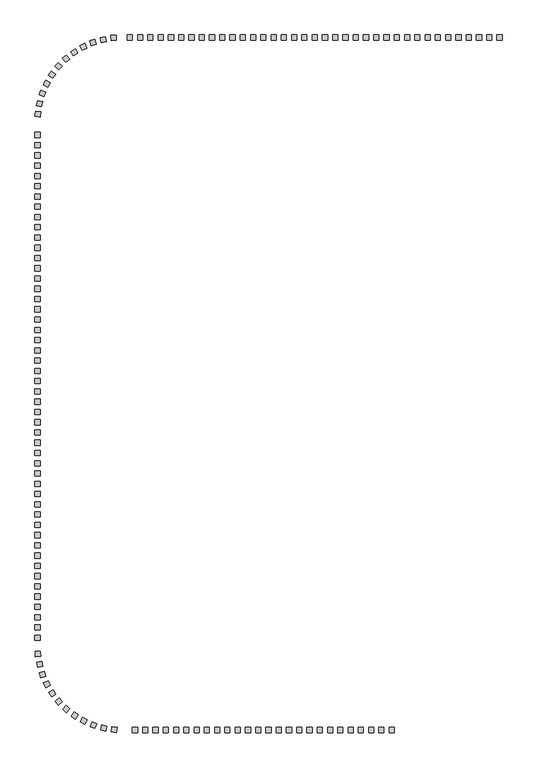
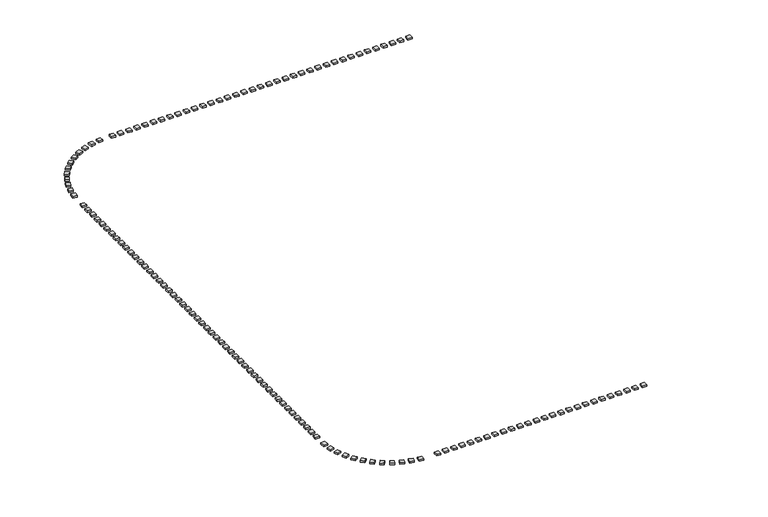
"""IFC4 building model written with IfcOpenShell, lengths in millimetres: railing geometry."""

import ifcopenshell
import ifcopenshell.guid

model = None  # the IFC model being written
_history = None  # IfcOwnerHistory: only IFC2X3 demands one
_inside = {}  # id of a spatial element -> (the spatial element, [elements in it])
_under = {}  # id of a project, library or spatial element -> (it, [spatial elements below it])
_declared = {}  # id of a project -> (the project, [libraries it declares])
_typed = {}  # id of a type object -> (the type object, [elements of that type])
_made_of = {}  # id of a material, layer set ... -> (it, [elements and type objects made of it])


def new_model(schema):
    """Start an empty IFC model of exactly this schema.

    Asked for "IFC4X3", IfcOpenShell would pick the latest addendum, in which some entities
    have other attributes; the version numbers below select the first issue.
    IFC2X3 requires an IfcOwnerHistory on every rooted entity: one is made here for all.
    """
    global model, _history
    if schema == "IFC4X3":
        model = ifcopenshell.file(schema_version=(4, 3, 0, 0))
    else:
        model = ifcopenshell.file(schema=schema)
    _inside.clear()
    _under.clear()
    _declared.clear()
    _typed.clear()
    _made_of.clear()
    _history = None
    if model.schema == "IFC2X3":
        org = make("IfcOrganization", Name="unknown")
        user = make(
            "IfcPersonAndOrganization",
            ThePerson=make("IfcPerson", FamilyName="unknown"),
            TheOrganization=org,
        )
        app = make(
            "IfcApplication",
            ApplicationDeveloper=org,
            Version="unknown",
            ApplicationFullName="unknown",
            ApplicationIdentifier="unknown",
        )
        _history = make(
            "IfcOwnerHistory",
            OwningUser=user,
            OwningApplication=app,
            ChangeAction="ADDED",
            CreationDate=0,
        )
    return model


def make(cls, **values):
    """One entity of the class cls with the attributes given. An attribute that is None is left unset."""
    return model.create_entity(
        cls, **{name: value for name, value in values.items() if value is not None}
    )


def rooted(cls, **values):
    """An entity with a GlobalId (a new one), such as an element, a storey or a relation."""
    return make(cls, GlobalId=ifcopenshell.guid.new(), OwnerHistory=_history, **values)


def si_unit(unit_type, name, prefix=None):
    """IfcSIUnit, for example si_unit("LENGTHUNIT", "METRE", prefix="MILLI")."""
    return make("IfcSIUnit", UnitType=unit_type, Prefix=prefix, Name=name)


def assignment(units):
    """IfcUnitAssignment: the units of a project."""
    return None if units is None else make("IfcUnitAssignment", Units=units)


def point(xyz):
    """IfcCartesianPoint."""
    return None if xyz is None else make("IfcCartesianPoint", Coordinates=xyz)


def direction(xyz):
    """IfcDirection."""
    return None if xyz is None else make("IfcDirection", DirectionRatios=xyz)


def frame(location, z_axis=None, x_axis=None):
    """IfcAxis2Placement3D, a coordinate frame: its origin and axes. An axis left out is left unset."""
    return make(
        "IfcAxis2Placement3D",
        Location=point(location),
        Axis=direction(z_axis),
        RefDirection=direction(x_axis),
    )


def origin():
    """The frame at (0, 0, 0) with its axes left unset."""
    return frame((0.0, 0.0, 0.0))


def origin_with_axes():
    """The frame at (0, 0, 0) with the z axis (0, 0, 1) and the x axis (1, 0, 0) written out."""
    return frame((0.0, 0.0, 0.0), z_axis=(0.0, 0.0, 1.0), x_axis=(1.0, 0.0, 0.0))


def place(relative_to, where):
    """IfcLocalPlacement: puts the frame where relative to a parent placement (None: the world)."""
    return make(
        "IfcLocalPlacement", PlacementRelTo=relative_to, RelativePlacement=where
    )


def context(
    kind, dimensions, precision=None, world=None, true_north=None, identifier=None
):
    """IfcGeometricRepresentationContext, for example the 3D "Model" context."""
    return make(
        "IfcGeometricRepresentationContext",
        ContextIdentifier=identifier,
        ContextType=kind,
        CoordinateSpaceDimension=dimensions,
        Precision=precision,
        WorldCoordinateSystem=world,
        TrueNorth=true_north,
    )


def project(units=None, contexts=None):
    """IfcProject with its units and contexts."""
    return rooted(
        "IfcProject",
        Name="project",
        RepresentationContexts=contexts,
        UnitsInContext=assignment(units),
    )


def spatial(cls, under=None, at=None, **own):
    """A site, building, storey or space (cls), placed at a placement, below another one or the project."""
    s = rooted(cls, ObjectPlacement=at, **own)
    if under is not None:
        _under.setdefault(under.id(), (under, []))[1].append(s)
    return s


def polyline(points):
    """IfcPolyline through the points."""
    return make("IfcPolyline", Points=[point(p) for p in points])


def outline(outer, holes=None, kind="AREA"):
    """IfcArbitraryClosedProfileDef: a profile drawn as a closed curve; with holes, ...WithVoids."""
    if holes is None:
        return make("IfcArbitraryClosedProfileDef", ProfileType=kind, OuterCurve=outer)
    return make(
        "IfcArbitraryProfileDefWithVoids",
        ProfileType=kind,
        OuterCurve=outer,
        InnerCurves=holes,
    )


def extrude(swept, where, along, depth):
    """IfcExtrudedAreaSolid: the profile swept, set in the frame where, extruded along a direction by depth."""
    return make(
        "IfcExtrudedAreaSolid",
        SweptArea=swept,
        Position=where,
        ExtrudedDirection=direction(along),
        Depth=depth,
    )


def shape(context_of_items, identifier, shape_type, items):
    """IfcShapeRepresentation: the items that make up one representation, for example the "Body"."""
    return make(
        "IfcShapeRepresentation",
        ContextOfItems=context_of_items,
        RepresentationIdentifier=identifier,
        RepresentationType=shape_type,
        Items=items,
    )


def source(mapping_origin, context_of_items, identifier, shape_type, items):
    """IfcRepresentationMap: a shape defined once, which mapped items show again and again."""
    return make(
        "IfcRepresentationMap",
        MappingOrigin=mapping_origin,
        MappedRepresentation=shape(context_of_items, identifier, shape_type, items),
    )


def transform(
    local_origin,
    x_axis=None,
    y_axis=None,
    z_axis=None,
    scale=None,
    scale2=None,
    scale3=None,
    uniform=True,
):
    """IfcCartesianTransformationOperator3D, or its non-uniform kind. x_axis, y_axis, z_axis: its Axis1, 2, 3."""
    if uniform:
        return make(
            "IfcCartesianTransformationOperator3D",
            Axis1=direction(x_axis),
            Axis2=direction(y_axis),
            LocalOrigin=point(local_origin),
            Scale=scale,
            Axis3=direction(z_axis),
        )
    return make(
        "IfcCartesianTransformationOperator3DnonUniform",
        Axis1=direction(x_axis),
        Axis2=direction(y_axis),
        LocalOrigin=point(local_origin),
        Scale=scale,
        Axis3=direction(z_axis),
        Scale2=scale2,
        Scale3=scale3,
    )


def mapped(mapping_source, mapping_target):
    """IfcMappedItem: shows the shape of a source again, moved by a transform."""
    return make(
        "IfcMappedItem", MappingSource=mapping_source, MappingTarget=mapping_target
    )


def made_of(thing, what):
    """Note that an element or type object is made of a material, layer set ...; save() writes the relation."""
    if what is not None:
        _made_of.setdefault(what.id(), (what, []))[1].append(thing)
    return thing


def element(
    cls,
    number,
    at=None,
    inside=None,
    cuts=None,
    type_object=None,
    material=None,
    context=None,
    identifier="Body",
    shape_type=None,
    held_by="IfcProductDefinitionShape",
    body=None,
    shapes=None,
    **own,
):
    """One element of the class cls, such as IfcWall. Its Tag is "e" and its number.

    at: its placement. inside: the storey or other place that contains it. cuts: it is an
    opening in that element (IfcRelVoidsElement). A single representation is given by context,
    identifier, shape_type and body (its items); several are given by shapes. held_by: the class
    of the entity that holds the representations. save() writes the other relations.
    """
    e = rooted(cls, Tag="e%d" % number, ObjectPlacement=at, **own)
    if body is not None:
        shapes = [shape(context, identifier, shape_type, body)]
    if shapes is not None:
        e.Representation = make(held_by, Representations=shapes)
    if inside is not None:
        _inside.setdefault(inside.id(), (inside, []))[1].append(e)
    if cuts is not None:
        rooted(
            "IfcRelVoidsElement", RelatingBuildingElement=cuts, RelatedOpeningElement=e
        )
    if type_object is not None:
        _typed.setdefault(type_object.id(), (type_object, []))[1].append(e)
    return made_of(e, material)


def aggregate(whole, parts):
    """IfcRelAggregates: a whole, such as a stair, and the parts it consists of."""
    return rooted("IfcRelAggregates", RelatingObject=whole, RelatedObjects=parts)


def save(model, path):
    """Write the relations noted so far, then the file.

    IfcRelAggregates (storeys below a building ...), IfcRelContainedInSpatialStructure (elements
    in a storey), IfcRelDefinesByType, IfcRelAssociatesMaterial and IfcRelDeclares: one each for
    every whole, place, type object, material and project.
    """
    for whole, parts in _under.values():
        aggregate(whole, parts)
    for where, things in _inside.values():
        rooted(
            "IfcRelContainedInSpatialStructure",
            RelatedElements=things,
            RelatingStructure=where,
        )
    for kind, things in _typed.values():
        rooted("IfcRelDefinesByType", RelatedObjects=things, RelatingType=kind)
    for what, things in _made_of.values():
        rooted("IfcRelAssociatesMaterial", RelatedObjects=things, RelatingMaterial=what)
    for by, libraries in _declared.values():
        rooted("IfcRelDeclares", RelatingContext=by, RelatedDefinitions=libraries)
    model.write(path)


def railing_93ff11cb(model_context):
    return source(origin(), model_context, "Body", "SweptSolid", [
        extrude(outline(polyline([(-32631.1414863, -59795.8215503), (-32631.1414863, -60295.8215503), (-33131.1414863, -60295.8215503), (-33131.1414863, -59795.8215503), (-32631.1414863, -59795.8215503)])), origin_with_axes(), (0.0, 0.0, 1.0), 200.0),
        extrude(outline(polyline([(-33631.1414863, -59795.8215503), (-33631.1414863, -60295.8215503), (-34131.1414863, -60295.8215503), (-34131.1414863, -59795.8215503), (-33631.1414863, -59795.8215503)])), origin_with_axes(), (0.0, 0.0, 1.0), 200.0),
        extrude(outline(polyline([(-34631.1414863, -59795.8215503), (-34631.1414863, -60295.8215503), (-35131.1414863, -60295.8215503), (-35131.1414863, -59795.8215503), (-34631.1414863, -59795.8215503)])), origin_with_axes(), (0.0, 0.0, 1.0), 200.0),
        extrude(outline(polyline([(-35631.1414863, -59795.8215503), (-35631.1414863, -60295.8215503), (-36131.1414863, -60295.8215503), (-36131.1414863, -59795.8215503), (-35631.1414863, -59795.8215503)])), origin_with_axes(), (0.0, 0.0, 1.0), 200.0),
        extrude(outline(polyline([(-36631.1414863, -59795.8215503), (-36631.1414863, -60295.8215503), (-37131.1414863, -60295.8215503), (-37131.1414863, -59795.8215503), (-36631.1414863, -59795.8215503)])), origin_with_axes(), (0.0, 0.0, 1.0), 200.0),
        extrude(outline(polyline([(-37631.1414863, -59795.8215503), (-37631.1414863, -60295.8215503), (-38131.1414863, -60295.8215503), (-38131.1414863, -59795.8215503), (-37631.1414863, -59795.8215503)])), origin_with_axes(), (0.0, 0.0, 1.0), 200.0),
        extrude(outline(polyline([(-38631.1414863, -59795.8215503), (-38631.1414863, -60295.8215503), (-39131.1414863, -60295.8215503), (-39131.1414863, -59795.8215503), (-38631.1414863, -59795.8215503)])), origin_with_axes(), (0.0, 0.0, 1.0), 200.0),
        extrude(outline(polyline([(-39631.1414863, -59795.8215503), (-39631.1414863, -60295.8215503), (-40131.1414863, -60295.8215503), (-40131.1414863, -59795.8215503), (-39631.1414863, -59795.8215503)])), origin_with_axes(), (0.0, 0.0, 1.0), 200.0),
        extrude(outline(polyline([(-40631.1414863, -59795.8215503), (-40631.1414863, -60295.8215503), (-41131.1414863, -60295.8215503), (-41131.1414863, -59795.8215503), (-40631.1414863, -59795.8215503)])), origin_with_axes(), (0.0, 0.0, 1.0), 200.0),
        extrude(outline(polyline([(-41631.1414863, -59795.8215503), (-41631.1414863, -60295.8215503), (-42131.1414863, -60295.8215503), (-42131.1414863, -59795.8215503), (-41631.1414863, -59795.8215503)])), origin_with_axes(), (0.0, 0.0, 1.0), 200.0),
        extrude(outline(polyline([(-42631.1414863, -59795.8215503), (-42631.1414863, -60295.8215503), (-43131.1414863, -60295.8215503), (-43131.1414863, -59795.8215503), (-42631.1414863, -59795.8215503)])), origin_with_axes(), (0.0, 0.0, 1.0), 200.0),
        extrude(outline(polyline([(-43631.1414863, -59795.8215503), (-43631.1414863, -60295.8215503), (-44131.1414863, -60295.8215503), (-44131.1414863, -59795.8215503), (-43631.1414863, -59795.8215503)])), origin_with_axes(), (0.0, 0.0, 1.0), 200.0),
        extrude(outline(polyline([(-44631.1414863, -59795.8215503), (-44631.1414863, -60295.8215503), (-45131.1414863, -60295.8215503), (-45131.1414863, -59795.8215503), (-44631.1414863, -59795.8215503)])), origin_with_axes(), (0.0, 0.0, 1.0), 200.0),
        extrude(outline(polyline([(-45631.1414863, -59795.8215503), (-45631.1414863, -60295.8215503), (-46131.1414863, -60295.8215503), (-46131.1414863, -59795.8215503), (-45631.1414863, -59795.8215503)])), origin_with_axes(), (0.0, 0.0, 1.0), 200.0),
        extrude(outline(polyline([(-46631.1414863, -59795.8215503), (-46631.1414863, -60295.8215503), (-47131.1414863, -60295.8215503), (-47131.1414863, -59795.8215503), (-46631.1414863, -59795.8215503)])), origin_with_axes(), (0.0, 0.0, 1.0), 200.0),
        extrude(outline(polyline([(-47631.1414863, -59795.8215503), (-47631.1414863, -60295.8215503), (-48131.1414863, -60295.8215503), (-48131.1414863, -59795.8215503), (-47631.1414863, -59795.8215503)])), origin_with_axes(), (0.0, 0.0, 1.0), 200.0),
        extrude(outline(polyline([(-48631.1414863, -59795.8215503), (-48631.1414863, -60295.8215503), (-49131.1414863, -60295.8215503), (-49131.1414863, -59795.8215503), (-48631.1414863, -59795.8215503)])), origin_with_axes(), (0.0, 0.0, 1.0), 200.0),
        extrude(outline(polyline([(-49631.1414863, -59795.8215503), (-49631.1414863, -60295.8215503), (-50131.1414863, -60295.8215503), (-50131.1414863, -59795.8215503), (-49631.1414863, -59795.8215503)])), origin_with_axes(), (0.0, 0.0, 1.0), 200.0),
        extrude(outline(polyline([(-50631.1414863, -59795.8215503), (-50631.1414863, -60295.8215503), (-51131.1414863, -60295.8215503), (-51131.1414863, -59795.8215503), (-50631.1414863, -59795.8215503)])), origin_with_axes(), (0.0, 0.0, 1.0), 200.0),
        extrude(outline(polyline([(-51631.1414863, -59795.8215503), (-51631.1414863, -60295.8215503), (-52131.1414863, -60295.8215503), (-52131.1414863, -59795.8215503), (-51631.1414863, -59795.8215503)])), origin_with_axes(), (0.0, 0.0, 1.0), 200.0),
        extrude(outline(polyline([(-52631.1414863, -59795.8215503), (-52631.1414863, -60295.8215503), (-53131.1414863, -60295.8215503), (-53131.1414863, -59795.8215503), (-52631.1414863, -59795.8215503)])), origin_with_axes(), (0.0, 0.0, 1.0), 200.0),
        extrude(outline(polyline([(-53631.1414863, -59795.8215503), (-53631.1414863, -60295.8215503), (-54131.1414863, -60295.8215503), (-54131.1414863, -59795.8215503), (-53631.1414863, -59795.8215503)])), origin_with_axes(), (0.0, 0.0, 1.0), 200.0),
        extrude(outline(polyline([(-54631.1414863, -59795.8215503), (-54631.1414863, -60295.8215503), (-55131.1414863, -60295.8215503), (-55131.1414863, -59795.8215503), (-54631.1414863, -59795.8215503)])), origin_with_axes(), (0.0, 0.0, 1.0), 200.0),
        extrude(outline(polyline([(-55631.1414863, -59795.8215503), (-55631.1414863, -60295.8215503), (-56131.1414863, -60295.8215503), (-56131.1414863, -59795.8215503), (-55631.1414863, -59795.8215503)])), origin_with_axes(), (0.0, 0.0, 1.0), 200.0),
        extrude(outline(polyline([(-56631.1414863, -59795.8215503), (-56631.1414863, -60295.8215503), (-57131.1414863, -60295.8215503), (-57131.1414863, -59795.8215503), (-56631.1414863, -59795.8215503)])), origin_with_axes(), (0.0, 0.0, 1.0), 200.0),
        extrude(outline(polyline([(-57631.1414863, -59795.8215503), (-57631.1414863, -60295.8215503), (-58131.1414863, -60295.8215503), (-58131.1414863, -59795.8215503), (-57631.1414863, -59795.8215503)])), origin_with_axes(), (0.0, 0.0, 1.0), 200.0),
        extrude(outline(polyline([(-58631.1414863, -59795.8215503), (-58631.1414863, -60295.8215503), (-59131.1414863, -60295.8215503), (-59131.1414863, -59795.8215503), (-58631.1414863, -59795.8215503)])), origin_with_axes(), (0.0, 0.0, 1.0), 200.0),
        extrude(outline(polyline([(-59631.1414863, -59795.8215503), (-59631.1414863, -60295.8215503), (-60131.1414863, -60295.8215503), (-60131.1414863, -59795.8215503), (-59631.1414863, -59795.8215503)])), origin_with_axes(), (0.0, 0.0, 1.0), 200.0),
        extrude(outline(polyline([(-60631.1414863, -59795.8215503), (-60631.1414863, -60295.8215503), (-61131.1414863, -60295.8215503), (-61131.1414863, -59795.8215503), (-60631.1414863, -59795.8215503)])), origin_with_axes(), (0.0, 0.0, 1.0), 200.0),
        extrude(outline(polyline([(-61631.1414863, -59795.8215503), (-61631.1414863, -60295.8215503), (-62131.1414863, -60295.8215503), (-62131.1414863, -59795.8215503), (-61631.1414863, -59795.8215503)])), origin_with_axes(), (0.0, 0.0, 1.0), 200.0),
        extrude(outline(polyline([(-62631.1414863, -59795.8215503), (-62631.1414863, -60295.8215503), (-63131.1414863, -60295.8215503), (-63131.1414863, -59795.8215503), (-62631.1414863, -59795.8215503)])), origin_with_axes(), (0.0, 0.0, 1.0), 200.0),
        extrude(outline(polyline([(-63631.1414863, -59795.8215503), (-63631.1414863, -60295.8215503), (-64131.1414863, -60295.8215503), (-64131.1414863, -59795.8215503), (-63631.1414863, -59795.8215503)])), origin_with_axes(), (0.0, 0.0, 1.0), 200.0),
        extrude(outline(polyline([(-64631.1414863, -59795.8215503), (-64631.1414863, -60295.8215503), (-65131.1414863, -60295.8215503), (-65131.1414863, -59795.8215503), (-64631.1414863, -59795.8215503)])), origin_with_axes(), (0.0, 0.0, 1.0), 200.0),
        extrude(outline(polyline([(-65631.1414863, -59795.8215503), (-65631.1414863, -60295.8215503), (-66131.1414863, -60295.8215503), (-66131.1414863, -59795.8215503), (-65631.1414863, -59795.8215503)])), origin_with_axes(), (0.0, 0.0, 1.0), 200.0),
        extrude(outline(polyline([(-66631.1414863, -59795.8215503), (-66631.1414863, -60295.8215503), (-67131.1414863, -60295.8215503), (-67131.1414863, -59795.8215503), (-66631.1414863, -59795.8215503)])), origin_with_axes(), (0.0, 0.0, 1.0), 200.0),
        extrude(outline(polyline([(-67631.1414863, -59795.8215503), (-67631.1414863, -60295.8215503), (-68131.1414863, -60295.8215503), (-68131.1414863, -59795.8215503), (-67631.1414863, -59795.8215503)])), origin_with_axes(), (0.0, 0.0, 1.0), 200.0),
        extrude(outline(polyline([(-68631.1414863, -59795.8215503), (-68631.1414863, -60295.8215503), (-69131.1414863, -60295.8215503), (-69131.1414863, -59795.8215503), (-68631.1414863, -59795.8215503)])), origin_with_axes(), (0.0, 0.0, 1.0), 200.0),
        extrude(outline(polyline([(-70232.4077004, -59817.1141641), (-70197.0390996, -60315.8616574), (-70695.7865929, -60351.2302583), (-70731.1551937, -59852.482765), (-70232.4077004, -59817.1141641)])), origin_with_axes(), (0.0, 0.0, 1.0), 200.0),
        extrude(outline(polyline([(-71284.7970042, -59958.2305656), (-71187.5231502, -60448.6770941), (-71677.9696787, -60545.9509481), (-71775.2435327, -60055.5044196), (-71284.7970042, -59958.2305656)])), origin_with_axes(), (0.0, 0.0, 1.0), 200.0),
        extrude(outline(polyline([(-72311.3815666, -60229.4522857), (-72153.7203854, -60703.9445954), (-72628.2126951, -60861.6057766), (-72785.8738763, -60387.1134669), (-72311.3815666, -60229.4522857)])), origin_with_axes(), (0.0, 0.0, 1.0), 200.0),
        extrude(outline(polyline([(-73296.1418791, -60626.5470004), (-73080.5536207, -61077.6807975), (-73531.6874177, -61293.2690559), (-73747.2756761, -60842.1352588), (-73296.1418791, -60626.5470004)])), origin_with_axes(), (0.0, 0.0, 1.0), 200.0),
        extrude(outline(polyline([(-74223.7110861, -61143.3181794), (-73953.5599332, -61564.0536718), (-74374.2954256, -61834.2048247), (-74644.4465785, -61413.4693323), (-74223.7110861, -61143.3181794)])), origin_with_axes(), (0.0, 0.0, 1.0), 200.0),
        extrude(outline(polyline([(-75079.6147807, -61771.7017813), (-74759.1163516, -62155.4735324), (-75142.8881027, -62475.9719615), (-75463.3865318, -62092.2002103), (-75079.6147807, -61771.7017813)])), origin_with_axes(), (0.0, 0.0, 1.0), 200.0),
        extrude(outline(polyline([(-75850.4968717, -62501.8920901), (-75484.6524373, -62842.7114701), (-75825.4718173, -63208.5559045), (-76191.3162517, -62867.7365245), (-75850.4968717, -62501.8920901)])), origin_with_axes(), (0.0, 0.0, 1.0), 200.0),
        extrude(outline(polyline([(-76524.3280021, -63322.4947303), (-76118.8464423, -63615.0433667), (-76411.3950788, -64020.5249265), (-76816.8766385, -63727.97629), (-76524.3280021, -63322.4947303)])), origin_with_axes(), (0.0, 0.0, 1.0), 200.0),
        extrude(outline(polyline([(-77090.5932623, -64220.7044721), (-76651.8019814, -64460.4172414), (-76891.5147507, -64899.2085224), (-77330.3060316, -64659.4957531), (-77090.5932623, -64220.7044721)])), origin_with_axes(), (0.0, 0.0, 1.0), 200.0),
        extrude(outline(polyline([(-77540.4562725, -65182.505053), (-77075.2024616, -65365.6413176), (-77258.3387261, -65830.8951285), (-77723.5925371, -65647.758864), (-77540.4562725, -65182.505053)])), origin_with_axes(), (0.0, 0.0, 1.0), 200.0),
        extrude(outline(polyline([(-77866.8970708, -66192.8878966), (-77382.44086, -66316.5898762), (-77506.1428396, -66801.0460871), (-77990.5990504, -66677.3441075), (-77866.8970708, -66192.8878966)])), origin_with_axes(), (0.0, 0.0, 1.0), 200.0),
        extrude(outline(polyline([(-78064.8216577, -67236.0863165), (-77568.7228241, -67298.4236832), (-77631.0601908, -67794.5225168), (-78127.1590244, -67732.1851501), (-78064.8216577, -67236.0863165)])), origin_with_axes(), (0.0, 0.0, 1.0), 200.0),
        extrude(outline(polyline([(-78131.1414863, -69295.8215503), (-77631.1414863, -69295.8215503), (-77631.1414863, -69795.8215503), (-78131.1414863, -69795.8215503), (-78131.1414863, -69295.8215503)])), origin_with_axes(), (0.0, 0.0, 1.0), 200.0),
        extrude(outline(polyline([(-78131.1414863, -70295.8215503), (-77631.1414863, -70295.8215503), (-77631.1414863, -70795.8215503), (-78131.1414863, -70795.8215503), (-78131.1414863, -70295.8215503)])), origin_with_axes(), (0.0, 0.0, 1.0), 200.0),
        extrude(outline(polyline([(-78131.1414863, -71295.8215503), (-77631.1414863, -71295.8215503), (-77631.1414863, -71795.8215503), (-78131.1414863, -71795.8215503), (-78131.1414863, -71295.8215503)])), origin_with_axes(), (0.0, 0.0, 1.0), 200.0),
        extrude(outline(polyline([(-78131.1414863, -72295.8215503), (-77631.1414863, -72295.8215503), (-77631.1414863, -72795.8215503), (-78131.1414863, -72795.8215503), (-78131.1414863, -72295.8215503)])), origin_with_axes(), (0.0, 0.0, 1.0), 200.0),
        extrude(outline(polyline([(-78131.1414863, -73295.8215503), (-77631.1414863, -73295.8215503), (-77631.1414863, -73795.8215503), (-78131.1414863, -73795.8215503), (-78131.1414863, -73295.8215503)])), origin_with_axes(), (0.0, 0.0, 1.0), 200.0),
        extrude(outline(polyline([(-78131.1414863, -74295.8215503), (-77631.1414863, -74295.8215503), (-77631.1414863, -74795.8215503), (-78131.1414863, -74795.8215503), (-78131.1414863, -74295.8215503)])), origin_with_axes(), (0.0, 0.0, 1.0), 200.0),
        extrude(outline(polyline([(-78131.1414863, -75295.8215503), (-77631.1414863, -75295.8215503), (-77631.1414863, -75795.8215503), (-78131.1414863, -75795.8215503), (-78131.1414863, -75295.8215503)])), origin_with_axes(), (0.0, 0.0, 1.0), 200.0),
        extrude(outline(polyline([(-78131.1414863, -76295.8215503), (-77631.1414863, -76295.8215503), (-77631.1414863, -76795.8215503), (-78131.1414863, -76795.8215503), (-78131.1414863, -76295.8215503)])), origin_with_axes(), (0.0, 0.0, 1.0), 200.0),
        extrude(outline(polyline([(-78131.1414863, -77295.8215503), (-77631.1414863, -77295.8215503), (-77631.1414863, -77795.8215503), (-78131.1414863, -77795.8215503), (-78131.1414863, -77295.8215503)])), origin_with_axes(), (0.0, 0.0, 1.0), 200.0),
        extrude(outline(polyline([(-78131.1414863, -78295.8215503), (-77631.1414863, -78295.8215503), (-77631.1414863, -78795.8215503), (-78131.1414863, -78795.8215503), (-78131.1414863, -78295.8215503)])), origin_with_axes(), (0.0, 0.0, 1.0), 200.0),
        extrude(outline(polyline([(-78131.1414863, -79295.8215503), (-77631.1414863, -79295.8215503), (-77631.1414863, -79795.8215503), (-78131.1414863, -79795.8215503), (-78131.1414863, -79295.8215503)])), origin_with_axes(), (0.0, 0.0, 1.0), 200.0),
        extrude(outline(polyline([(-78131.1414863, -80295.8215503), (-77631.1414863, -80295.8215503), (-77631.1414863, -80795.8215503), (-78131.1414863, -80795.8215503), (-78131.1414863, -80295.8215503)])), origin_with_axes(), (0.0, 0.0, 1.0), 200.0),
        extrude(outline(polyline([(-78131.1414863, -81295.8215503), (-77631.1414863, -81295.8215503), (-77631.1414863, -81795.8215503), (-78131.1414863, -81795.8215503), (-78131.1414863, -81295.8215503)])), origin_with_axes(), (0.0, 0.0, 1.0), 200.0),
        extrude(outline(polyline([(-78131.1414863, -82295.8215503), (-77631.1414863, -82295.8215503), (-77631.1414863, -82795.8215503), (-78131.1414863, -82795.8215503), (-78131.1414863, -82295.8215503)])), origin_with_axes(), (0.0, 0.0, 1.0), 200.0),
        extrude(outline(polyline([(-78131.1414863, -83295.8215503), (-77631.1414863, -83295.8215503), (-77631.1414863, -83795.8215503), (-78131.1414863, -83795.8215503), (-78131.1414863, -83295.8215503)])), origin_with_axes(), (0.0, 0.0, 1.0), 200.0),
        extrude(outline(polyline([(-78131.1414863, -84295.8215503), (-77631.1414863, -84295.8215503), (-77631.1414863, -84795.8215503), (-78131.1414863, -84795.8215503), (-78131.1414863, -84295.8215503)])), origin_with_axes(), (0.0, 0.0, 1.0), 200.0),
        extrude(outline(polyline([(-78131.1414863, -85295.8215503), (-77631.1414863, -85295.8215503), (-77631.1414863, -85795.8215503), (-78131.1414863, -85795.8215503), (-78131.1414863, -85295.8215503)])), origin_with_axes(), (0.0, 0.0, 1.0), 200.0),
        extrude(outline(polyline([(-78131.1414863, -86295.8215503), (-77631.1414863, -86295.8215503), (-77631.1414863, -86795.8215503), (-78131.1414863, -86795.8215503), (-78131.1414863, -86295.8215503)])), origin_with_axes(), (0.0, 0.0, 1.0), 200.0),
        extrude(outline(polyline([(-78131.1414863, -87295.8215503), (-77631.1414863, -87295.8215503), (-77631.1414863, -87795.8215503), (-78131.1414863, -87795.8215503), (-78131.1414863, -87295.8215503)])), origin_with_axes(), (0.0, 0.0, 1.0), 200.0),
        extrude(outline(polyline([(-78131.1414863, -88295.8215503), (-77631.1414863, -88295.8215503), (-77631.1414863, -88795.8215503), (-78131.1414863, -88795.8215503), (-78131.1414863, -88295.8215503)])), origin_with_axes(), (0.0, 0.0, 1.0), 200.0),
        extrude(outline(polyline([(-78131.1414863, -89295.8215503), (-77631.1414863, -89295.8215503), (-77631.1414863, -89795.8215503), (-78131.1414863, -89795.8215503), (-78131.1414863, -89295.8215503)])), origin_with_axes(), (0.0, 0.0, 1.0), 200.0),
        extrude(outline(polyline([(-78131.1414863, -90295.8215503), (-77631.1414863, -90295.8215503), (-77631.1414863, -90795.8215503), (-78131.1414863, -90795.8215503), (-78131.1414863, -90295.8215503)])), origin_with_axes(), (0.0, 0.0, 1.0), 200.0),
        extrude(outline(polyline([(-78131.1414863, -91295.8215503), (-77631.1414863, -91295.8215503), (-77631.1414863, -91795.8215503), (-78131.1414863, -91795.8215503), (-78131.1414863, -91295.8215503)])), origin_with_axes(), (0.0, 0.0, 1.0), 200.0),
        extrude(outline(polyline([(-78131.1414863, -92295.8215503), (-77631.1414863, -92295.8215503), (-77631.1414863, -92795.8215503), (-78131.1414863, -92795.8215503), (-78131.1414863, -92295.8215503)])), origin_with_axes(), (0.0, 0.0, 1.0), 200.0),
        extrude(outline(polyline([(-78131.1414863, -93295.8215503), (-77631.1414863, -93295.8215503), (-77631.1414863, -93795.8215503), (-78131.1414863, -93795.8215503), (-78131.1414863, -93295.8215503)])), origin_with_axes(), (0.0, 0.0, 1.0), 200.0),
        extrude(outline(polyline([(-78131.1414863, -94295.8215503), (-77631.1414863, -94295.8215503), (-77631.1414863, -94795.8215503), (-78131.1414863, -94795.8215503), (-78131.1414863, -94295.8215503)])), origin_with_axes(), (0.0, 0.0, 1.0), 200.0),
        extrude(outline(polyline([(-78131.1414863, -95295.8215503), (-77631.1414863, -95295.8215503), (-77631.1414863, -95795.8215503), (-78131.1414863, -95795.8215503), (-78131.1414863, -95295.8215503)])), origin_with_axes(), (0.0, 0.0, 1.0), 200.0),
        extrude(outline(polyline([(-78131.1414863, -96295.8215503), (-77631.1414863, -96295.8215503), (-77631.1414863, -96795.8215503), (-78131.1414863, -96795.8215503), (-78131.1414863, -96295.8215503)])), origin_with_axes(), (0.0, 0.0, 1.0), 200.0),
        extrude(outline(polyline([(-78131.1414863, -97295.8215503), (-77631.1414863, -97295.8215503), (-77631.1414863, -97795.8215503), (-78131.1414863, -97795.8215503), (-78131.1414863, -97295.8215503)])), origin_with_axes(), (0.0, 0.0, 1.0), 200.0),
        extrude(outline(polyline([(-78131.1414863, -98295.8215503), (-77631.1414863, -98295.8215503), (-77631.1414863, -98795.8215503), (-78131.1414863, -98795.8215503), (-78131.1414863, -98295.8215503)])), origin_with_axes(), (0.0, 0.0, 1.0), 200.0),
        extrude(outline(polyline([(-78131.1414863, -99295.8215503), (-77631.1414863, -99295.8215503), (-77631.1414863, -99795.8215503), (-78131.1414863, -99795.8215503), (-78131.1414863, -99295.8215503)])), origin_with_axes(), (0.0, 0.0, 1.0), 200.0),
        extrude(outline(polyline([(-78131.1414863, -100295.8215503), (-77631.1414863, -100295.8215503), (-77631.1414863, -100795.8215503), (-78131.1414863, -100795.8215503), (-78131.1414863, -100295.8215503)])), origin_with_axes(), (0.0, 0.0, 1.0), 200.0),
        extrude(outline(polyline([(-78131.1414863, -101295.8215503), (-77631.1414863, -101295.8215503), (-77631.1414863, -101795.8215503), (-78131.1414863, -101795.8215503), (-78131.1414863, -101295.8215503)])), origin_with_axes(), (0.0, 0.0, 1.0), 200.0),
        extrude(outline(polyline([(-78131.1414863, -102295.8215503), (-77631.1414863, -102295.8215503), (-77631.1414863, -102795.8215503), (-78131.1414863, -102795.8215503), (-78131.1414863, -102295.8215503)])), origin_with_axes(), (0.0, 0.0, 1.0), 200.0),
        extrude(outline(polyline([(-78131.1414863, -103295.8215503), (-77631.1414863, -103295.8215503), (-77631.1414863, -103795.8215503), (-78131.1414863, -103795.8215503), (-78131.1414863, -103295.8215503)])), origin_with_axes(), (0.0, 0.0, 1.0), 200.0),
        extrude(outline(polyline([(-78131.1414863, -104295.8215503), (-77631.1414863, -104295.8215503), (-77631.1414863, -104795.8215503), (-78131.1414863, -104795.8215503), (-78131.1414863, -104295.8215503)])), origin_with_axes(), (0.0, 0.0, 1.0), 200.0),
        extrude(outline(polyline([(-78131.1414863, -105295.8215503), (-77631.1414863, -105295.8215503), (-77631.1414863, -105795.8215503), (-78131.1414863, -105795.8215503), (-78131.1414863, -105295.8215503)])), origin_with_axes(), (0.0, 0.0, 1.0), 200.0),
        extrude(outline(polyline([(-78131.1414863, -106295.8215503), (-77631.1414863, -106295.8215503), (-77631.1414863, -106795.8215503), (-78131.1414863, -106795.8215503), (-78131.1414863, -106295.8215503)])), origin_with_axes(), (0.0, 0.0, 1.0), 200.0),
        extrude(outline(polyline([(-78131.1414863, -107295.8215503), (-77631.1414863, -107295.8215503), (-77631.1414863, -107795.8215503), (-78131.1414863, -107795.8215503), (-78131.1414863, -107295.8215503)])), origin_with_axes(), (0.0, 0.0, 1.0), 200.0),
        extrude(outline(polyline([(-78131.1414863, -108295.8215503), (-77631.1414863, -108295.8215503), (-77631.1414863, -108795.8215503), (-78131.1414863, -108795.8215503), (-78131.1414863, -108295.8215503)])), origin_with_axes(), (0.0, 0.0, 1.0), 200.0),
        extrude(outline(polyline([(-78131.1414863, -109295.8215503), (-77631.1414863, -109295.8215503), (-77631.1414863, -109795.8215503), (-78131.1414863, -109795.8215503), (-78131.1414863, -109295.8215503)])), origin_with_axes(), (0.0, 0.0, 1.0), 200.0),
        extrude(outline(polyline([(-78131.1414863, -110295.8215503), (-77631.1414863, -110295.8215503), (-77631.1414863, -110795.8215503), (-78131.1414863, -110795.8215503), (-78131.1414863, -110295.8215503)])), origin_with_axes(), (0.0, 0.0, 1.0), 200.0),
        extrude(outline(polyline([(-78131.1414863, -111295.8215503), (-77631.1414863, -111295.8215503), (-77631.1414863, -111795.8215503), (-78131.1414863, -111795.8215503), (-78131.1414863, -111295.8215503)])), origin_with_axes(), (0.0, 0.0, 1.0), 200.0),
        extrude(outline(polyline([(-78131.1414863, -112295.8215503), (-77631.1414863, -112295.8215503), (-77631.1414863, -112795.8215503), (-78131.1414863, -112795.8215503), (-78131.1414863, -112295.8215503)])), origin_with_axes(), (0.0, 0.0, 1.0), 200.0),
        extrude(outline(polyline([(-78131.1414863, -113295.8215503), (-77631.1414863, -113295.8215503), (-77631.1414863, -113795.8215503), (-78131.1414863, -113795.8215503), (-78131.1414863, -113295.8215503)])), origin_with_axes(), (0.0, 0.0, 1.0), 200.0),
        extrude(outline(polyline([(-78131.1414863, -114295.8215503), (-77631.1414863, -114295.8215503), (-77631.1414863, -114795.8215503), (-78131.1414863, -114795.8215503), (-78131.1414863, -114295.8215503)])), origin_with_axes(), (0.0, 0.0, 1.0), 200.0),
        extrude(outline(polyline([(-78131.1414863, -115295.8215503), (-77631.1414863, -115295.8215503), (-77631.1414863, -115795.8215503), (-78131.1414863, -115795.8215503), (-78131.1414863, -115295.8215503)])), origin_with_axes(), (0.0, 0.0, 1.0), 200.0),
        extrude(outline(polyline([(-78131.1414863, -116295.8215503), (-77631.1414863, -116295.8215503), (-77631.1414863, -116795.8215503), (-78131.1414863, -116795.8215503), (-78131.1414863, -116295.8215503)])), origin_with_axes(), (0.0, 0.0, 1.0), 200.0),
        extrude(outline(polyline([(-78131.1414863, -117295.8215503), (-77631.1414863, -117295.8215503), (-77631.1414863, -117795.8215503), (-78131.1414863, -117795.8215503), (-78131.1414863, -117295.8215503)])), origin_with_axes(), (0.0, 0.0, 1.0), 200.0),
        extrude(outline(polyline([(-78131.1414863, -118295.8215503), (-77631.1414863, -118295.8215503), (-77631.1414863, -118795.8215503), (-78131.1414863, -118795.8215503), (-78131.1414863, -118295.8215503)])), origin_with_axes(), (0.0, 0.0, 1.0), 200.0),
        extrude(outline(polyline([(-78109.8488724, -119897.0877644), (-77611.1013791, -119861.7191636), (-77575.7327783, -120360.4666569), (-78074.4802716, -120395.8352577), (-78109.8488724, -119897.0877644)])), origin_with_axes(), (0.0, 0.0, 1.0), 200.0),
        extrude(outline(polyline([(-77968.732471, -120949.4770682), (-77478.2859425, -120852.2032142), (-77381.0120885, -121342.6497427), (-77871.458617, -121439.9235967), (-77968.732471, -120949.4770682)])), origin_with_axes(), (0.0, 0.0, 1.0), 200.0),
        extrude(outline(polyline([(-77697.5107508, -121976.0616306), (-77223.0184411, -121818.4004494), (-77065.3572599, -122292.8927591), (-77539.8495696, -122450.5539403), (-77697.5107508, -121976.0616306)])), origin_with_axes(), (0.0, 0.0, 1.0), 200.0),
        extrude(outline(polyline([(-77300.4160361, -122960.8219431), (-76849.2822391, -122745.2336847), (-76633.6939807, -123196.3674817), (-77084.8277777, -123411.9557401), (-77300.4160361, -122960.8219431)])), origin_with_axes(), (0.0, 0.0, 1.0), 200.0),
        extrude(outline(polyline([(-76783.6448571, -123888.3911501), (-76362.9093647, -123618.2399972), (-76092.7582118, -124038.9754896), (-76513.4937042, -124309.1266426), (-76783.6448571, -123888.3911501)])), origin_with_axes(), (0.0, 0.0, 1.0), 200.0),
        extrude(outline(polyline([(-76155.2612553, -124744.2948447), (-75771.4895042, -124423.7964156), (-75450.9910751, -124807.5681667), (-75834.7628262, -125128.0665958), (-76155.2612553, -124744.2948447)])), origin_with_axes(), (0.0, 0.0, 1.0), 200.0),
        extrude(outline(polyline([(-75425.0709465, -125515.1769357), (-75084.2515665, -125149.3325013), (-74718.407132, -125490.1518813), (-75059.226512, -125855.9963157), (-75425.0709465, -125515.1769357)])), origin_with_axes(), (0.0, 0.0, 1.0), 200.0),
        extrude(outline(polyline([(-74604.4683063, -126189.0080661), (-74311.9196698, -125783.5265063), (-73906.43811, -126076.0751428), (-74198.9867465, -126481.5567025), (-74604.4683063, -126189.0080661)])), origin_with_axes(), (0.0, 0.0, 1.0), 200.0),
        extrude(outline(polyline([(-73706.2585644, -126755.2733263), (-73466.5457951, -126316.4820454), (-73027.7545142, -126556.1948147), (-73267.4672835, -126994.9860956), (-73706.2585644, -126755.2733263)])), origin_with_axes(), (0.0, 0.0, 1.0), 200.0),
        extrude(outline(polyline([(-72744.4579835, -127205.1363365), (-72561.321719, -126739.8825256), (-72096.067908, -126923.0187901), (-72279.2041725, -127388.2726011), (-72744.4579835, -127205.1363365)])), origin_with_axes(), (0.0, 0.0, 1.0), 200.0),
        extrude(outline(polyline([(-71734.0751399, -127531.5771348), (-71610.3731603, -127047.120924), (-71125.9169494, -127170.8229036), (-71249.6189291, -127655.2791144), (-71734.0751399, -127531.5771348)])), origin_with_axes(), (0.0, 0.0, 1.0), 200.0),
        extrude(outline(polyline([(-70690.87672, -127729.5017217), (-70628.5393533, -127233.4028881), (-70132.4405197, -127295.7402548), (-70194.7778864, -127791.8390884), (-70690.87672, -127729.5017217)])), origin_with_axes(), (0.0, 0.0, 1.0), 200.0),
        extrude(outline(polyline([(-68631.1414863, -127795.8215503), (-68631.1414863, -127295.8215503), (-68131.1414863, -127295.8215503), (-68131.1414863, -127795.8215503), (-68631.1414863, -127795.8215503)])), origin_with_axes(), (0.0, 0.0, 1.0), 200.0),
        extrude(outline(polyline([(-67631.1414863, -127795.8215503), (-67631.1414863, -127295.8215503), (-67131.1414863, -127295.8215503), (-67131.1414863, -127795.8215503), (-67631.1414863, -127795.8215503)])), origin_with_axes(), (0.0, 0.0, 1.0), 200.0),
        extrude(outline(polyline([(-66631.1414863, -127795.8215503), (-66631.1414863, -127295.8215503), (-66131.1414863, -127295.8215503), (-66131.1414863, -127795.8215503), (-66631.1414863, -127795.8215503)])), origin_with_axes(), (0.0, 0.0, 1.0), 200.0),
        extrude(outline(polyline([(-65631.1414863, -127795.8215503), (-65631.1414863, -127295.8215503), (-65131.1414863, -127295.8215503), (-65131.1414863, -127795.8215503), (-65631.1414863, -127795.8215503)])), origin_with_axes(), (0.0, 0.0, 1.0), 200.0),
        extrude(outline(polyline([(-64631.1414863, -127795.8215503), (-64631.1414863, -127295.8215503), (-64131.1414863, -127295.8215503), (-64131.1414863, -127795.8215503), (-64631.1414863, -127795.8215503)])), origin_with_axes(), (0.0, 0.0, 1.0), 200.0),
        extrude(outline(polyline([(-63631.1414863, -127795.8215503), (-63631.1414863, -127295.8215503), (-63131.1414863, -127295.8215503), (-63131.1414863, -127795.8215503), (-63631.1414863, -127795.8215503)])), origin_with_axes(), (0.0, 0.0, 1.0), 200.0),
        extrude(outline(polyline([(-62631.1414863, -127795.8215503), (-62631.1414863, -127295.8215503), (-62131.1414863, -127295.8215503), (-62131.1414863, -127795.8215503), (-62631.1414863, -127795.8215503)])), origin_with_axes(), (0.0, 0.0, 1.0), 200.0),
        extrude(outline(polyline([(-61631.1414863, -127795.8215503), (-61631.1414863, -127295.8215503), (-61131.1414863, -127295.8215503), (-61131.1414863, -127795.8215503), (-61631.1414863, -127795.8215503)])), origin_with_axes(), (0.0, 0.0, 1.0), 200.0),
        extrude(outline(polyline([(-60631.1414863, -127795.8215503), (-60631.1414863, -127295.8215503), (-60131.1414863, -127295.8215503), (-60131.1414863, -127795.8215503), (-60631.1414863, -127795.8215503)])), origin_with_axes(), (0.0, 0.0, 1.0), 200.0),
        extrude(outline(polyline([(-59631.1414863, -127795.8215503), (-59631.1414863, -127295.8215503), (-59131.1414863, -127295.8215503), (-59131.1414863, -127795.8215503), (-59631.1414863, -127795.8215503)])), origin_with_axes(), (0.0, 0.0, 1.0), 200.0),
        extrude(outline(polyline([(-58631.1414863, -127795.8215503), (-58631.1414863, -127295.8215503), (-58131.1414863, -127295.8215503), (-58131.1414863, -127795.8215503), (-58631.1414863, -127795.8215503)])), origin_with_axes(), (0.0, 0.0, 1.0), 200.0),
        extrude(outline(polyline([(-57631.1414863, -127795.8215503), (-57631.1414863, -127295.8215503), (-57131.1414863, -127295.8215503), (-57131.1414863, -127795.8215503), (-57631.1414863, -127795.8215503)])), origin_with_axes(), (0.0, 0.0, 1.0), 200.0),
        extrude(outline(polyline([(-56631.1414863, -127795.8215503), (-56631.1414863, -127295.8215503), (-56131.1414863, -127295.8215503), (-56131.1414863, -127795.8215503), (-56631.1414863, -127795.8215503)])), origin_with_axes(), (0.0, 0.0, 1.0), 200.0),
        extrude(outline(polyline([(-55631.1414863, -127795.8215503), (-55631.1414863, -127295.8215503), (-55131.1414863, -127295.8215503), (-55131.1414863, -127795.8215503), (-55631.1414863, -127795.8215503)])), origin_with_axes(), (0.0, 0.0, 1.0), 200.0),
        extrude(outline(polyline([(-54631.1414863, -127795.8215503), (-54631.1414863, -127295.8215503), (-54131.1414863, -127295.8215503), (-54131.1414863, -127795.8215503), (-54631.1414863, -127795.8215503)])), origin_with_axes(), (0.0, 0.0, 1.0), 200.0),
        extrude(outline(polyline([(-53631.1414863, -127795.8215503), (-53631.1414863, -127295.8215503), (-53131.1414863, -127295.8215503), (-53131.1414863, -127795.8215503), (-53631.1414863, -127795.8215503)])), origin_with_axes(), (0.0, 0.0, 1.0), 200.0),
        extrude(outline(polyline([(-52631.1414863, -127795.8215503), (-52631.1414863, -127295.8215503), (-52131.1414863, -127295.8215503), (-52131.1414863, -127795.8215503), (-52631.1414863, -127795.8215503)])), origin_with_axes(), (0.0, 0.0, 1.0), 200.0),
        extrude(outline(polyline([(-51631.1414863, -127795.8215503), (-51631.1414863, -127295.8215503), (-51131.1414863, -127295.8215503), (-51131.1414863, -127795.8215503), (-51631.1414863, -127795.8215503)])), origin_with_axes(), (0.0, 0.0, 1.0), 200.0),
        extrude(outline(polyline([(-50631.1414863, -127795.8215503), (-50631.1414863, -127295.8215503), (-50131.1414863, -127295.8215503), (-50131.1414863, -127795.8215503), (-50631.1414863, -127795.8215503)])), origin_with_axes(), (0.0, 0.0, 1.0), 200.0),
        extrude(outline(polyline([(-49631.1414863, -127795.8215503), (-49631.1414863, -127295.8215503), (-49131.1414863, -127295.8215503), (-49131.1414863, -127795.8215503), (-49631.1414863, -127795.8215503)])), origin_with_axes(), (0.0, 0.0, 1.0), 200.0),
        extrude(outline(polyline([(-48631.1414863, -127795.8215503), (-48631.1414863, -127295.8215503), (-48131.1414863, -127295.8215503), (-48131.1414863, -127795.8215503), (-48631.1414863, -127795.8215503)])), origin_with_axes(), (0.0, 0.0, 1.0), 200.0),
        extrude(outline(polyline([(-47631.1414863, -127795.8215503), (-47631.1414863, -127295.8215503), (-47131.1414863, -127295.8215503), (-47131.1414863, -127795.8215503), (-47631.1414863, -127795.8215503)])), origin_with_axes(), (0.0, 0.0, 1.0), 200.0),
        extrude(outline(polyline([(-46631.1414863, -127795.8215503), (-46631.1414863, -127295.8215503), (-46131.1414863, -127295.8215503), (-46131.1414863, -127795.8215503), (-46631.1414863, -127795.8215503)])), origin_with_axes(), (0.0, 0.0, 1.0), 200.0),
        extrude(outline(polyline([(-45631.1414863, -127795.8215503), (-45631.1414863, -127295.8215503), (-45131.1414863, -127295.8215503), (-45131.1414863, -127795.8215503), (-45631.1414863, -127795.8215503)])), origin_with_axes(), (0.0, 0.0, 1.0), 200.0),
        extrude(outline(polyline([(-44631.1414863, -127795.8215503), (-44631.1414863, -127295.8215503), (-44131.1414863, -127295.8215503), (-44131.1414863, -127795.8215503), (-44631.1414863, -127795.8215503)])), origin_with_axes(), (0.0, 0.0, 1.0), 200.0),
        extrude(outline(polyline([(-43631.1414863, -127795.8215503), (-43631.1414863, -127295.8215503), (-43131.1414863, -127295.8215503), (-43131.1414863, -127795.8215503), (-43631.1414863, -127795.8215503)])), origin_with_axes(), (0.0, 0.0, 1.0), 200.0),
    ])


if __name__ == "__main__":
    model = new_model("IFC4")
    model_context = context("Model", 3, world=origin())
    ifc_project = project(units=[si_unit("LENGTHUNIT", "METRE", prefix="MILLI")], contexts=[model_context])
    site = spatial("IfcSite", under=ifc_project)
    building = spatial("IfcBuilding", under=site)
    placement = place(None, origin())
    railing_shape = railing_93ff11cb(model_context)
    element("IfcRailing", 1, at=placement, inside=building, context=model_context, shape_type="MappedRepresentation", body=[
        mapped(railing_shape, transform((0.0, 0.0, 0.0), x_axis=(1.0, 0.0, 0.0), y_axis=(0.0, 1.0, 0.0), z_axis=(0.0, 0.0, 1.0))),
    ])
    save(model, "model.ifc")
